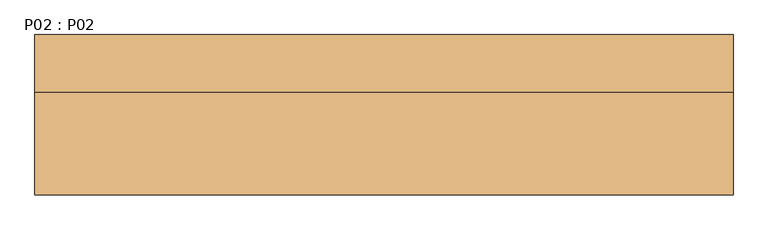
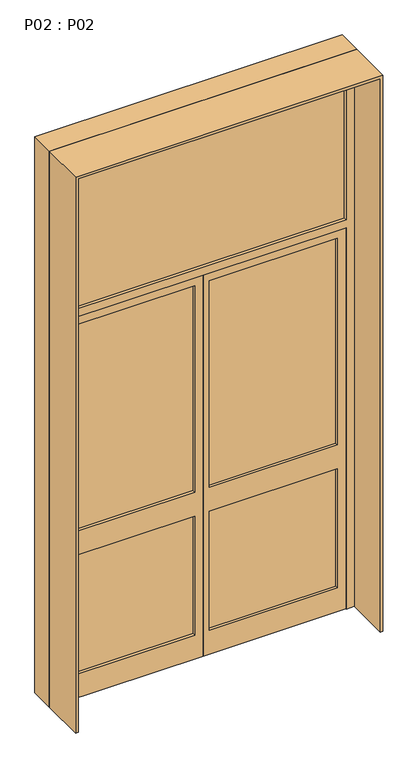
"""IFC4 building model written with IfcOpenShell, lengths in millimetres: door geometry, P02 : P02."""

from ifc_helpers import new_model, si_unit, frame, origin, place, context, project, spatial, polyline, outline, extrude, source, transform, mapped, element, save


def p02_p02_bb9e807e(model_context):
    return source(origin(), model_context, "Body", "SweptSolid", [
        extrude(outline(polyline([(2400.0, 2200.0), (2400.0, 1350.0), (0.0, 1350.0), (0.0, 2200.0), (2400.0, 2200.0)]), holes=[polyline([(150.0, 1387.5), (900.0, 1387.5), (900.0, 2150.0), (150.0, 2150.0), (150.0, 1387.5)]), polyline([(2350.0, 1387.5), (2350.0, 2150.0), (1050.0, 2150.0), (1050.0, 1387.5), (2350.0, 1387.5)])]), frame((0.0, 125.0, 0.0), z_axis=(0.0, 1.0, 0.0), x_axis=(0.0, 0.0, 1.0)), (0.0, 0.0, 1.0), 47.5),
        extrude(outline(polyline([(2400.0, 475.0), (0.0, 475.0), (0.0, 1350.0), (2400.0, 1350.0), (2400.0, 475.0)]), holes=[polyline([(150.0, 1300.0), (150.0, 525.0), (900.0, 525.0), (900.0, 1300.0), (150.0, 1300.0)]), polyline([(2350.0, 1300.0), (1050.0, 1300.0), (1050.0, 525.0), (2350.0, 525.0), (2350.0, 1300.0)])]), frame((0.0, 125.0, 0.0), z_axis=(0.0, 1.0, 0.0), x_axis=(0.0, 0.0, 1.0)), (0.0, 0.0, 1.0), 47.5),
        extrude(outline(polyline([(3485.0, 450.0), (0.0, 450.0), (0.0, 475.0), (2400.0, 475.0), (2400.0, 2200.0), (0.0, 2200.0), (0.0, 2250.0), (3485.0, 2250.0), (3485.0, 450.0)]), holes=[polyline([(2450.0, 475.0), (3435.0, 475.0), (3435.0, 2200.0), (2450.0, 2200.0), (2450.0, 475.0)])]), frame((0.0, 122.5, 0.0), z_axis=(0.0, 1.0, 0.0), x_axis=(0.0, 0.0, 1.0)), (0.0, 0.0, 1.0), 50.0),
        extrude(outline(polyline([(1300.0, 142.5), (525.0, 142.5), (525.0, 152.5), (1300.0, 152.5), (1300.0, 142.5)])), frame((0.0, 0.0, 150.0), z_axis=(0.0, 0.0, 1.0), x_axis=(1.0, 0.0, 0.0)), (0.0, 0.0, 1.0), 750.0),
        extrude(outline(polyline([(2150.0, 142.5), (1387.5, 142.5), (1387.5, 152.5), (2150.0, 152.5), (2150.0, 142.5)])), frame((0.0, 0.0, 150.0), z_axis=(0.0, 0.0, 1.0), x_axis=(1.0, 0.0, 0.0)), (0.0, 0.0, 1.0), 750.0),
        extrude(outline(polyline([(2200.0, 142.5), (475.0, 142.5), (475.0, 152.5), (2200.0, 152.5), (2200.0, 142.5)])), frame((0.0, 0.0, 2450.0), z_axis=(0.0, 0.0, 1.0), x_axis=(1.0, 0.0, 0.0)), (0.0, 0.0, 1.0), 985.0),
        extrude(outline(polyline([(1300.0, 142.5), (525.0, 142.5), (525.0, 152.5), (1300.0, 152.5), (1300.0, 142.5)])), frame((0.0, 0.0, 1050.0), z_axis=(0.0, 0.0, 1.0), x_axis=(1.0, 0.0, 0.0)), (0.0, 0.0, 1.0), 1300.0),
        extrude(outline(polyline([(2150.0, 142.5), (1387.5, 142.5), (1387.5, 152.5), (2150.0, 152.5), (2150.0, 142.5)])), frame((0.0, 0.0, 1050.0), z_axis=(0.0, 0.0, 1.0), x_axis=(1.0, 0.0, 0.0)), (0.0, 0.0, 1.0), 1300.0),
        extrude(outline(polyline([(3500.0, 435.0), (0.0, 435.0), (0.0, 450.0), (3485.0, 450.0), (3485.0, 2250.0), (0.0, 2250.0), (0.0, 2265.0), (3500.0, 2265.0), (3500.0, 435.0)])), frame((0.0, 125.0, 0.0), z_axis=(0.0, 1.0, 0.0), x_axis=(0.0, 0.0, 1.0)), (0.0, 0.0, 1.0), 150.0),
        extrude(outline(polyline([(3500.0, 435.0), (0.0, 435.0), (0.0, 450.0), (3485.0, 450.0), (3485.0, 2250.0), (0.0, 2250.0), (0.0, 2265.0), (3500.0, 2265.0), (3500.0, 435.0)])), frame((0.0, -145.0, 0.0), z_axis=(0.0, 1.0, 0.0), x_axis=(0.0, 0.0, 1.0)), (0.0, 0.0, 1.0), 270.0),
    ])


if __name__ == "__main__":
    model = new_model("IFC4")
    model_context = context("Model", 3, world=origin())
    ifc_project = project(units=[si_unit("LENGTHUNIT", "METRE", prefix="MILLI")], contexts=[model_context])
    site = spatial("IfcSite", under=ifc_project)
    building = spatial("IfcBuilding", under=site)
    placement = place(None, origin())
    p02_p02_shape = p02_p02_bb9e807e(model_context)
    element("IfcDoor", 1, ObjectType="P02 : P02", at=placement, inside=building, context=model_context, shape_type="MappedRepresentation", body=[
        mapped(p02_p02_shape, transform((0.0, 0.0, 0.0), x_axis=(1.0, 0.0, 0.0), y_axis=(0.0, 1.0, 0.0), z_axis=(0.0, 0.0, 1.0))),
    ])
    save(model, "model.ifc")
